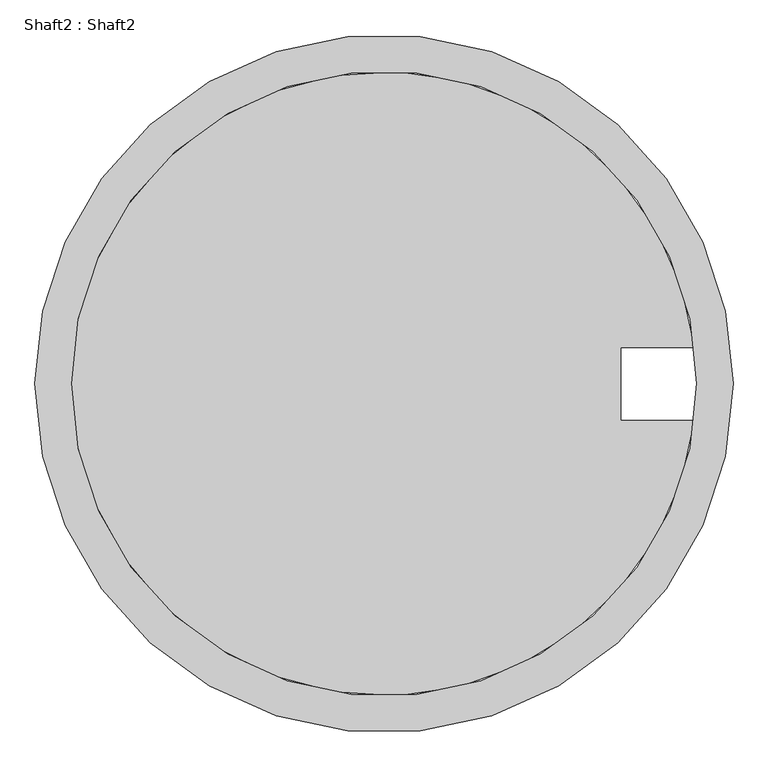
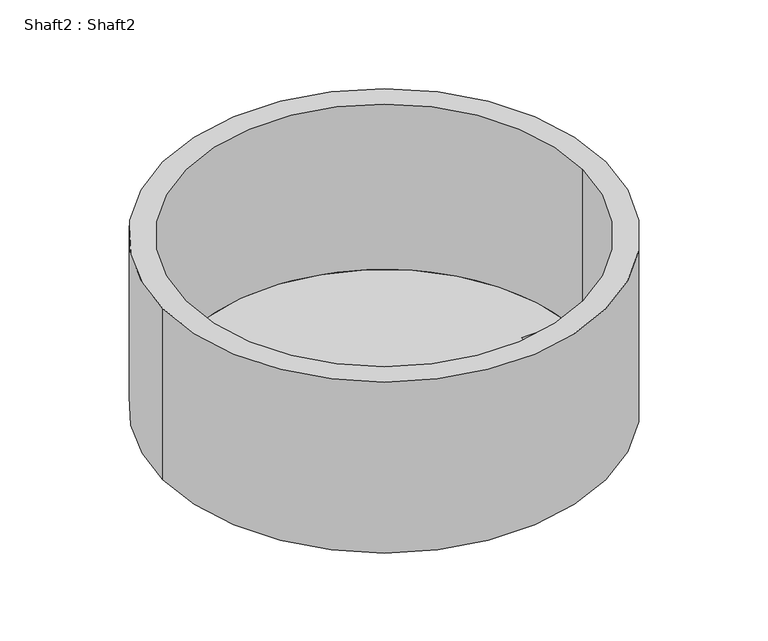
"""IFC4 building model written with IfcOpenShell, lengths in millimetres: proxy geometry, Shaft2 : Shaft2."""

from ifc_helpers import new_model, si_unit, frame, origin, place, context, project, spatial, polyline, circle_curve, source, transform, mapped, element, save
from ifc_brep_helpers import plane_surface, cylinder_surface, revolved_surface, advanced_brep


def shaft2_shaft2_f2b0b506(model_context):
    return source(origin(), model_context, "Body", "AdvancedBrep", [
        advanced_brep(
        [(7600.0, 3800.0, 0.0), (7600.0, 3800.0, 3100.0), (0.0, 3800.0, 3100.0), (0.0, 3800.0, 0.0), (7200.0, 3800.0, 0.0), (7200.0, 3800.0, 3100.0), (400.0, 3800.0, 3100.0), (400.0, 3800.0, 100.0), (7176.7120547, 4197.2602417, 100.0), (7176.7120547, 4197.2602417, 0.0), (6376.7120547, 4197.2602417, 100.0), (6376.7120547, 3402.7397583, 100.0), (6376.7120547, 3402.7397583, 0.0), (6376.7120547, 4197.2602417, 0.0), (7176.7120547, 3402.7397583, 100.0), (7176.7120547, 3402.7397583, 0.0)],
        [
            (0, 1),
            (1, 2, circle_curve(frame((3800.0, 3800.0, 3100.0), z_axis=(0.0, 0.0, -1.0), x_axis=(1.0, 0.0, 0.0)), 3800.0)),
            (2, 3),
            (3, 0, circle_curve(frame((3800.0, 3800.0, 0.0), z_axis=(0.0, 0.0, 1.0), x_axis=(1.0, 0.0, 0.0)), 3800.0)),
            (4, 5),
            (5, 6, circle_curve(frame((3800.0, 3800.0, 3100.0), z_axis=(0.0, 0.0, 1.0), x_axis=(1.0, 0.0, 0.0)), 3400.0)),
            (6, 7),
            (7, 8, circle_curve(frame((3800.0, 3800.0, 100.0), z_axis=(0.0, 0.0, -1.0), x_axis=(1.0, 0.0, 0.0)), 3400.0)),
            (8, 9),
            (9, 4, circle_curve(frame((3800.0, 3800.0, 0.0), z_axis=(0.0, 0.0, -1.0), x_axis=(1.0, 0.0, 0.0)), 3400.0)),
            (10, 11),
            (11, 12),
            (12, 13),
            (13, 10),
            (8, 10),
            (13, 9),
            (11, 14),
            (14, 15),
            (15, 12),
            (7, 14, circle_curve(frame((3800.0, 3800.0, 100.0), z_axis=(0.0, 0.0, 1.0), x_axis=(1.0, 0.0, 0.0)), 3400.0)),
            (1, 2, circle_curve(frame((3800.0, 3800.0, 3100.0), z_axis=(0.0, 0.0, 1.0), x_axis=(1.0, 0.0, 0.0)), 3800.0)),
            (5, 6, circle_curve(frame((3800.0, 3800.0, 3100.0), z_axis=(0.0, 0.0, -1.0), x_axis=(1.0, 0.0, 0.0)), 3400.0)),
            (4, 15, circle_curve(frame((3800.0, 3800.0, 0.0), z_axis=(0.0, 0.0, -1.0), x_axis=(1.0, 0.0, 0.0)), 3400.0)),
            (3, 0, circle_curve(frame((3800.0, 3800.0, 0.0), z_axis=(0.0, 0.0, -1.0), x_axis=(1.0, 0.0, 0.0)), 3800.0)),
        ],
        [
            cylinder_surface(frame((3800.0, 3800.0, 1550.0), z_axis=(0.0, 0.0, 1.0), x_axis=(1.0, 0.0, 0.0)), 3800.0),
            revolved_surface(polyline([(7200.0, 3800.0, 3100.0), (7200.0, 3800.0, 0.0)]), (3800.0, 3800.0, 1550.0), (0.0, 0.0, 1.0)),
            plane_surface(frame((6376.7120547, 3800.0, 100.0), z_axis=(1.0, 0.0, 0.0), x_axis=(0.0, 0.0, -1.0))),
            plane_surface(frame((6776.7120547, 4197.2602417, 100.0), z_axis=(0.0, -1.0, 0.0), x_axis=(0.0, 0.0, -1.0))),
            plane_surface(frame((6776.7120547, 3402.7397583, 100.0), z_axis=(0.0, 1.0, 0.0), x_axis=(0.0, 0.0, 1.0))),
            plane_surface(frame((3800.0, 3800.0, 100.0), z_axis=(0.0, 0.0, 1.0), x_axis=(1.0, 0.0, 0.0))),
            plane_surface(frame((7200.0, 3800.0, 3100.0), z_axis=(0.0, 0.0, 1.0), x_axis=(1.0, 0.0, 0.0))),
            plane_surface(frame((7600.0, 3800.0, 0.0), z_axis=(0.0, 0.0, -1.0), x_axis=(-1.0, 0.0, 0.0))),
        ],
        [
            (0, [[1, 2, 3, 4]]),
            (1, [[5, 6, 7, 8, 9, 10]]),
            (2, [[11, 12, 13, 14]]),
            (3, [[15, -14, 16, -9]]),
            (4, [[17, 18, 19, -12]]),
            (5, [[-17, -11, -15, -8, 20]]),
            (6, [[21, -2], [-6, 22]]),
            (1, [[-5, 23, -18, -20, -7, -22]]),
            (7, [[24, -4], [-23, -10, -16, -13, -19]]),
            (0, [[-1, -24, -3, -21]]),
        ],
    ),
    ])


if __name__ == "__main__":
    model = new_model("IFC4")
    model_context = context("Model", 3, world=origin())
    ifc_project = project(units=[si_unit("LENGTHUNIT", "METRE", prefix="MILLI")], contexts=[model_context])
    site = spatial("IfcSite", under=ifc_project)
    building = spatial("IfcBuilding", under=site)
    placement = place(None, origin())
    shaft2_shaft2_shape = shaft2_shaft2_f2b0b506(model_context)
    element("IfcBuildingElementProxy", 1, Name="Shaft2 : Shaft2", ObjectType="Shaft2 : Shaft2", at=placement, inside=building, context=model_context, shape_type="MappedRepresentation", body=[
        mapped(shaft2_shaft2_shape, transform((0.0, 0.0, 0.0), x_axis=(1.0, 0.0, 0.0), y_axis=(0.0, 1.0, 0.0), z_axis=(0.0, 0.0, 1.0))),
    ])
    save(model, "model.ifc")
